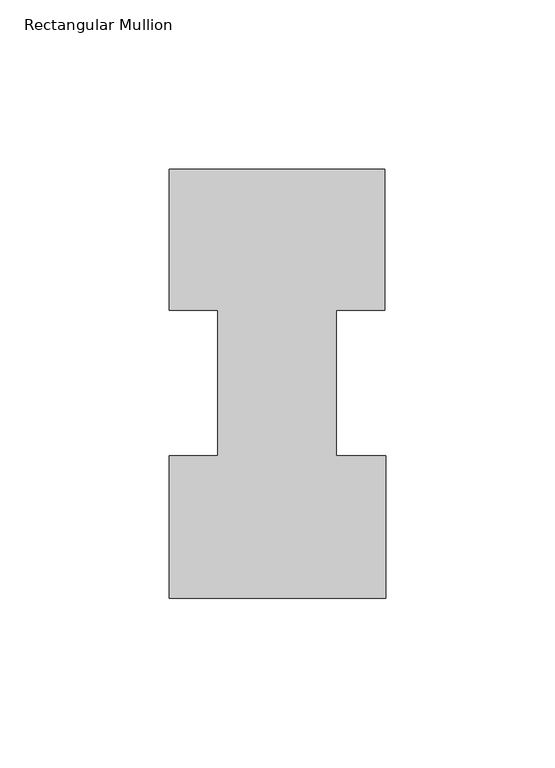
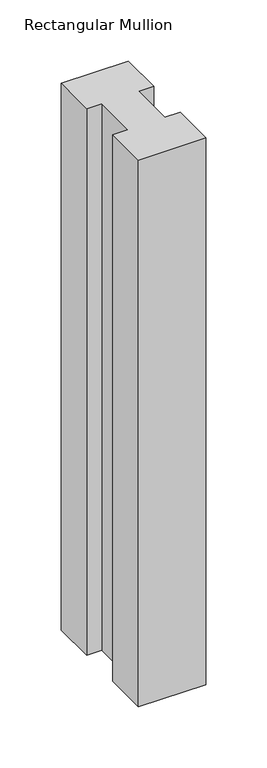
"""IFC4 building model written with IfcOpenShell, lengths in millimetres: member geometry, Rectangular Mullion."""

import ifcopenshell
import ifcopenshell.guid

model = None  # the IFC model being written
_history = None  # IfcOwnerHistory: only IFC2X3 demands one
_inside = {}  # id of a spatial element -> (the spatial element, [elements in it])
_under = {}  # id of a project, library or spatial element -> (it, [spatial elements below it])
_declared = {}  # id of a project -> (the project, [libraries it declares])
_typed = {}  # id of a type object -> (the type object, [elements of that type])
_made_of = {}  # id of a material, layer set ... -> (it, [elements and type objects made of it])


def new_model(schema):
    """Start an empty IFC model of exactly this schema.

    Asked for "IFC4X3", IfcOpenShell would pick the latest addendum, in which some entities
    have other attributes; the version numbers below select the first issue.
    IFC2X3 requires an IfcOwnerHistory on every rooted entity: one is made here for all.
    """
    global model, _history
    if schema == "IFC4X3":
        model = ifcopenshell.file(schema_version=(4, 3, 0, 0))
    else:
        model = ifcopenshell.file(schema=schema)
    _inside.clear()
    _under.clear()
    _declared.clear()
    _typed.clear()
    _made_of.clear()
    _history = None
    if model.schema == "IFC2X3":
        org = make("IfcOrganization", Name="unknown")
        user = make(
            "IfcPersonAndOrganization",
            ThePerson=make("IfcPerson", FamilyName="unknown"),
            TheOrganization=org,
        )
        app = make(
            "IfcApplication",
            ApplicationDeveloper=org,
            Version="unknown",
            ApplicationFullName="unknown",
            ApplicationIdentifier="unknown",
        )
        _history = make(
            "IfcOwnerHistory",
            OwningUser=user,
            OwningApplication=app,
            ChangeAction="ADDED",
            CreationDate=0,
        )
    return model


def make(cls, **values):
    """One entity of the class cls with the attributes given. An attribute that is None is left unset."""
    return model.create_entity(
        cls, **{name: value for name, value in values.items() if value is not None}
    )


def rooted(cls, **values):
    """An entity with a GlobalId (a new one), such as an element, a storey or a relation."""
    return make(cls, GlobalId=ifcopenshell.guid.new(), OwnerHistory=_history, **values)


def si_unit(unit_type, name, prefix=None):
    """IfcSIUnit, for example si_unit("LENGTHUNIT", "METRE", prefix="MILLI")."""
    return make("IfcSIUnit", UnitType=unit_type, Prefix=prefix, Name=name)


def assignment(units):
    """IfcUnitAssignment: the units of a project."""
    return None if units is None else make("IfcUnitAssignment", Units=units)


def point(xyz):
    """IfcCartesianPoint."""
    return None if xyz is None else make("IfcCartesianPoint", Coordinates=xyz)


def direction(xyz):
    """IfcDirection."""
    return None if xyz is None else make("IfcDirection", DirectionRatios=xyz)


def frame(location, z_axis=None, x_axis=None):
    """IfcAxis2Placement3D, a coordinate frame: its origin and axes. An axis left out is left unset."""
    return make(
        "IfcAxis2Placement3D",
        Location=point(location),
        Axis=direction(z_axis),
        RefDirection=direction(x_axis),
    )


def origin():
    """The frame at (0, 0, 0) with its axes left unset."""
    return frame((0.0, 0.0, 0.0))


def place(relative_to, where):
    """IfcLocalPlacement: puts the frame where relative to a parent placement (None: the world)."""
    return make(
        "IfcLocalPlacement", PlacementRelTo=relative_to, RelativePlacement=where
    )


def context(
    kind, dimensions, precision=None, world=None, true_north=None, identifier=None
):
    """IfcGeometricRepresentationContext, for example the 3D "Model" context."""
    return make(
        "IfcGeometricRepresentationContext",
        ContextIdentifier=identifier,
        ContextType=kind,
        CoordinateSpaceDimension=dimensions,
        Precision=precision,
        WorldCoordinateSystem=world,
        TrueNorth=true_north,
    )


def project(units=None, contexts=None):
    """IfcProject with its units and contexts."""
    return rooted(
        "IfcProject",
        Name="project",
        RepresentationContexts=contexts,
        UnitsInContext=assignment(units),
    )


def spatial(cls, under=None, at=None, **own):
    """A site, building, storey or space (cls), placed at a placement, below another one or the project."""
    s = rooted(cls, ObjectPlacement=at, **own)
    if under is not None:
        _under.setdefault(under.id(), (under, []))[1].append(s)
    return s


def polyline(points):
    """IfcPolyline through the points."""
    return make("IfcPolyline", Points=[point(p) for p in points])


def outline(outer, holes=None, kind="AREA"):
    """IfcArbitraryClosedProfileDef: a profile drawn as a closed curve; with holes, ...WithVoids."""
    if holes is None:
        return make("IfcArbitraryClosedProfileDef", ProfileType=kind, OuterCurve=outer)
    return make(
        "IfcArbitraryProfileDefWithVoids",
        ProfileType=kind,
        OuterCurve=outer,
        InnerCurves=holes,
    )


def extrude(swept, where, along, depth):
    """IfcExtrudedAreaSolid: the profile swept, set in the frame where, extruded along a direction by depth."""
    return make(
        "IfcExtrudedAreaSolid",
        SweptArea=swept,
        Position=where,
        ExtrudedDirection=direction(along),
        Depth=depth,
    )


def shape(context_of_items, identifier, shape_type, items):
    """IfcShapeRepresentation: the items that make up one representation, for example the "Body"."""
    return make(
        "IfcShapeRepresentation",
        ContextOfItems=context_of_items,
        RepresentationIdentifier=identifier,
        RepresentationType=shape_type,
        Items=items,
    )


def source(mapping_origin, context_of_items, identifier, shape_type, items):
    """IfcRepresentationMap: a shape defined once, which mapped items show again and again."""
    return make(
        "IfcRepresentationMap",
        MappingOrigin=mapping_origin,
        MappedRepresentation=shape(context_of_items, identifier, shape_type, items),
    )


def transform(
    local_origin,
    x_axis=None,
    y_axis=None,
    z_axis=None,
    scale=None,
    scale2=None,
    scale3=None,
    uniform=True,
):
    """IfcCartesianTransformationOperator3D, or its non-uniform kind. x_axis, y_axis, z_axis: its Axis1, 2, 3."""
    if uniform:
        return make(
            "IfcCartesianTransformationOperator3D",
            Axis1=direction(x_axis),
            Axis2=direction(y_axis),
            LocalOrigin=point(local_origin),
            Scale=scale,
            Axis3=direction(z_axis),
        )
    return make(
        "IfcCartesianTransformationOperator3DnonUniform",
        Axis1=direction(x_axis),
        Axis2=direction(y_axis),
        LocalOrigin=point(local_origin),
        Scale=scale,
        Axis3=direction(z_axis),
        Scale2=scale2,
        Scale3=scale3,
    )


def mapped(mapping_source, mapping_target):
    """IfcMappedItem: shows the shape of a source again, moved by a transform."""
    return make(
        "IfcMappedItem", MappingSource=mapping_source, MappingTarget=mapping_target
    )


def made_of(thing, what):
    """Note that an element or type object is made of a material, layer set ...; save() writes the relation."""
    if what is not None:
        _made_of.setdefault(what.id(), (what, []))[1].append(thing)
    return thing


def element(
    cls,
    number,
    at=None,
    inside=None,
    cuts=None,
    type_object=None,
    material=None,
    context=None,
    identifier="Body",
    shape_type=None,
    held_by="IfcProductDefinitionShape",
    body=None,
    shapes=None,
    **own,
):
    """One element of the class cls, such as IfcWall. Its Tag is "e" and its number.

    at: its placement. inside: the storey or other place that contains it. cuts: it is an
    opening in that element (IfcRelVoidsElement). A single representation is given by context,
    identifier, shape_type and body (its items); several are given by shapes. held_by: the class
    of the entity that holds the representations. save() writes the other relations.
    """
    e = rooted(cls, Tag="e%d" % number, ObjectPlacement=at, **own)
    if body is not None:
        shapes = [shape(context, identifier, shape_type, body)]
    if shapes is not None:
        e.Representation = make(held_by, Representations=shapes)
    if inside is not None:
        _inside.setdefault(inside.id(), (inside, []))[1].append(e)
    if cuts is not None:
        rooted(
            "IfcRelVoidsElement", RelatingBuildingElement=cuts, RelatedOpeningElement=e
        )
    if type_object is not None:
        _typed.setdefault(type_object.id(), (type_object, []))[1].append(e)
    return made_of(e, material)


def aggregate(whole, parts):
    """IfcRelAggregates: a whole, such as a stair, and the parts it consists of."""
    return rooted("IfcRelAggregates", RelatingObject=whole, RelatedObjects=parts)


def save(model, path):
    """Write the relations noted so far, then the file.

    IfcRelAggregates (storeys below a building ...), IfcRelContainedInSpatialStructure (elements
    in a storey), IfcRelDefinesByType, IfcRelAssociatesMaterial and IfcRelDeclares: one each for
    every whole, place, type object, material and project.
    """
    for whole, parts in _under.values():
        aggregate(whole, parts)
    for where, things in _inside.values():
        rooted(
            "IfcRelContainedInSpatialStructure",
            RelatedElements=things,
            RelatingStructure=where,
        )
    for kind, things in _typed.values():
        rooted("IfcRelDefinesByType", RelatedObjects=things, RelatingType=kind)
    for what, things in _made_of.values():
        rooted("IfcRelAssociatesMaterial", RelatedObjects=things, RelatingMaterial=what)
    for by, libraries in _declared.values():
        rooted("IfcRelDeclares", RelatingContext=by, RelatedDefinitions=libraries)
    model.write(path)


def rectangular_mullion_f723dab7(model_context):
    return source(origin(), model_context, "Body", "SweptSolid", [
        extrude(outline(polyline([(-63.5, 0.2428875), (-63.5, 42.2798875), (-49.21504, 42.2798875), (-49.21504, 85.1296875), (-63.5, 85.1296875), (-63.5, 126.7348875), (0.0, 126.7348875), (0.0, 85.1296875), (-14.2748, 85.1296875), (-14.2748, 42.2798875), (0.2408142, 42.2798875), (0.2408142, 0.2428875), (-63.5, 0.2428875)])), frame((0.0, 0.0, -546.1), z_axis=(0.0, 0.0, 1.0), x_axis=(1.0, 0.0, 0.0)), (0.0, 0.0, 1.0), 546.1),
    ])


if __name__ == "__main__":
    model = new_model("IFC4")
    model_context = context("Model", 3, world=origin())
    ifc_project = project(units=[si_unit("LENGTHUNIT", "METRE", prefix="MILLI")], contexts=[model_context])
    site = spatial("IfcSite", under=ifc_project)
    building = spatial("IfcBuilding", under=site)
    placement = place(None, origin())
    rectangular_mullion_shape = rectangular_mullion_f723dab7(model_context)
    element("IfcMember", 1, ObjectType="Rectangular Mullion", at=placement, inside=building, context=model_context, shape_type="MappedRepresentation", body=[
        mapped(rectangular_mullion_shape, transform((0.0, 0.0, 0.0), x_axis=(1.0, 0.0, 0.0), y_axis=(0.0, 1.0, 0.0), z_axis=(0.0, 0.0, 1.0))),
    ])
    save(model, "model.ifc")
